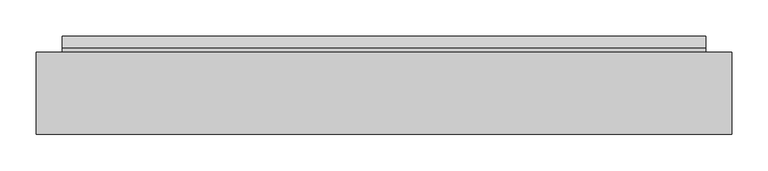
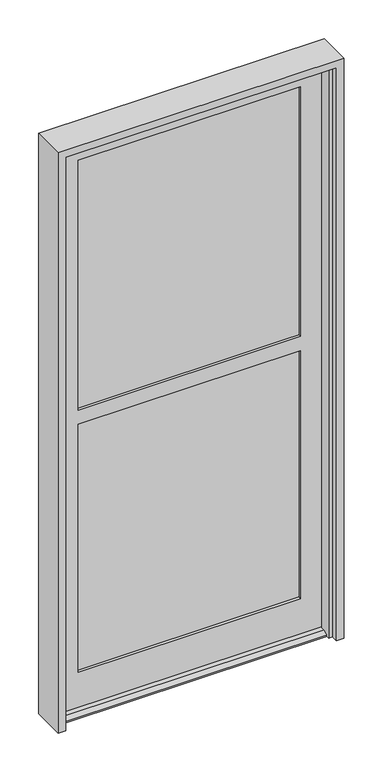
"""IFC4 building model written with IfcOpenShell, lengths in millimetres: plate geometry."""

from ifc_helpers import new_model, si_unit, frame, origin, place, context, project, spatial, polyline, outline, extrude, faceted_brep, source, transform, mapped, element, save


def plate_490acdba(model_context):
    return source(origin(), model_context, "Body", "SolidModel", [
        faceted_brep([(-448.9132958, -20.6375, 0.0), (-448.9132958, -20.6375, 2040.73125), (448.9132958, -20.6375, 2040.73125), (448.9132958, -20.6375, 0.0), (446.1446958, -20.6375, 0.0), (446.1446958, -20.6375, 12.7), (-446.1446958, -20.6375, 12.7), (-446.1446958, -20.6375, 0.0), (-375.8882958, -20.6375, 138.1125), (375.8882958, -20.6375, 138.1125), (375.8882958, -20.6375, 1022.35), (-375.8882958, -20.6375, 1022.35), (-375.8882958, -20.6375, 1073.15), (375.8882958, -20.6375, 1073.15), (375.8882958, -20.6375, 1964.53125), (-375.8882958, -20.6375, 1964.53125), (-375.8882958, -30.1625, 1964.53125), (375.8882958, -30.1625, 1964.53125), (-383.0320458, -30.1625, 1971.675), (-383.0320458, -30.1625, 1066.00625), (383.0320458, -30.1625, 1066.00625), (383.0320458, -30.1625, 1971.675), (-375.8882958, -30.1625, 1073.15), (375.8882958, -30.1625, 1073.15), (-383.0320458, -30.1625, 1029.49375), (-383.0320458, -30.1625, 130.96875), (383.0320458, -30.1625, 130.96875), (383.0320458, -30.1625, 1029.49375), (-375.8882958, -30.1625, 138.1125), (-375.8882958, -30.1625, 1022.35), (375.8882958, -30.1625, 1022.35), (375.8882958, -30.1625, 138.1125), (383.0320458, -55.5625, 1971.675), (-383.0320458, -55.5625, 1971.675), (-383.0320458, -55.5625, 1066.00625), (383.0320458, -55.5625, 1066.00625), (-375.8882958, -55.5625, 1964.53125), (-375.8882958, -55.5625, 1073.15), (375.8882958, -55.5625, 1073.15), (375.8882958, -55.5625, 1964.53125), (-383.0320458, -55.5625, 130.96875), (-383.0320458, -55.5625, 1029.49375), (383.0320458, -55.5625, 1029.49375), (383.0320458, -55.5625, 130.96875), (-375.8882958, -55.5625, 1022.35), (-375.8882958, -55.5625, 138.1125), (375.8882958, -55.5625, 138.1125), (375.8882958, -55.5625, 1022.35), (-375.8882958, -65.0875, 1964.53125), (375.8882958, -65.0875, 1964.53125), (-446.1446958, -65.0875, 2040.73125), (-446.1446958, -65.0875, 12.7), (446.1446958, -65.0875, 12.7), (446.1446958, -65.0875, 2040.73125), (-375.8882958, -65.0875, 1022.35), (375.8882958, -65.0875, 1022.35), (375.8882958, -65.0875, 138.1125), (-375.8882958, -65.0875, 138.1125), (-375.8882958, -65.0875, 1073.15), (375.8882958, -65.0875, 1073.15), (446.1446958, -81.7372454, 12.7), (446.1446958, -98.4250908, 4.9183299), (446.1446958, -98.4250908, 0.0), (446.1446958, -65.0875, 0.0), (446.1446958, 3.175, 0.0), (446.1446958, 3.175, 4.9183299), (446.1446958, -13.5128454, 12.7), (-446.1446958, -13.5128454, 12.7), (-446.1446958, 3.175, 4.9183299), (-446.1446958, 3.175, 0.0), (-446.1446958, -98.4250908, 0.0), (-446.1446958, -98.4250908, 4.9183299), (-446.1446958, -81.7372454, 12.7), (-446.1446958, -65.0875, 0.0)], [[[0, 1, 2, 3, 4, 5, 6, 7], [8, 9, 10, 11], [12, 13, 14, 15]], [[16, 15, 14, 17]], [[18, 19, 20, 21], [22, 16, 17, 23]], [[24, 25, 26, 27], [28, 29, 30, 31]], [[32, 33, 18, 21]], [[34, 33, 32, 35], [36, 37, 38, 39]], [[40, 41, 42, 43], [44, 45, 46, 47]], [[48, 36, 39, 49]], [[50, 51, 52, 53], [54, 55, 56, 57], [58, 48, 49, 59]], [[2, 1, 50, 53]], [[52, 60, 61, 62, 63]], [[64, 65, 66, 5, 4]], [[6, 67, 68, 69, 7]], [[70, 71, 72, 51, 73]], [[8, 28, 31, 9]], [[26, 25, 40, 43]], [[45, 57, 56, 46]], [[60, 52, 51, 72]], [[62, 70, 73, 0, 7, 69, 64, 4, 3, 63]], [[6, 5, 66, 67]], [[12, 22, 23, 13]], [[20, 19, 34, 35]], [[37, 58, 59, 38]], [[54, 44, 47, 55]], [[42, 41, 24, 27]], [[29, 11, 10, 30]], [[61, 60, 72, 71]], [[62, 61, 71, 70]], [[65, 64, 69, 68]], [[66, 65, 68, 67]], [[37, 36, 48, 58]], [[54, 57, 45, 44]], [[18, 33, 34, 19]], [[40, 25, 24, 41]], [[8, 11, 29, 28]], [[12, 15, 16, 22]], [[50, 1, 0, 73, 51]], [[2, 53, 52, 63, 3]], [[23, 17, 14, 13]], [[10, 9, 31, 30]], [[21, 20, 35, 32]], [[43, 42, 27, 26]], [[59, 49, 39, 38]], [[47, 46, 56, 55]]]),
        extrude(outline(polyline([(383.0320458, -30.1280944), (383.0320458, -36.4780944), (-383.0320458, -36.4780944), (-383.0320458, -30.1280944), (383.0320458, -30.1280944)])), frame((0.0, 0.0, 130.96875), z_axis=(0.0, 0.0, 1.0), x_axis=(1.0, 0.0, 0.0)), (0.0, 0.0, 1.0), 898.525),
        extrude(outline(polyline([(383.0320458, -49.1780944), (383.0320458, -55.5280944), (-383.0320458, -55.5280944), (-383.0320458, -49.1780944), (383.0320458, -49.1780944)])), frame((0.0, 0.0, 130.96875), z_axis=(0.0, 0.0, 1.0), x_axis=(1.0, 0.0, 0.0)), (0.0, 0.0, 1.0), 898.525),
        extrude(outline(polyline([(383.0320458, -30.1280944), (383.0320458, -36.4780944), (-383.0320458, -36.4780944), (-383.0320458, -30.1280944), (383.0320458, -30.1280944)])), frame((0.0, 0.0, 1066.00625), z_axis=(0.0, 0.0, 1.0), x_axis=(1.0, 0.0, 0.0)), (0.0, 0.0, 1.0), 905.66875),
        extrude(outline(polyline([(383.0320458, -49.1780944), (383.0320458, -55.5280944), (-383.0320458, -55.5280944), (-383.0320458, -49.1780944), (383.0320458, -49.1780944)])), frame((0.0, 0.0, 1066.00625), z_axis=(0.0, 0.0, 1.0), x_axis=(1.0, 0.0, 0.0)), (0.0, 0.0, 1.0), 905.66875),
        faceted_brep([(-482.6, -133.35, 2070.1), (-482.6, -19.05, 2070.1), (-482.6, -19.05, 0.0), (-482.6, -133.35, 0.0), (482.6, -19.05, 2070.1), (482.6, -133.35, 2070.1), (482.6, -133.35, 0.0), (482.6, -19.05, 0.0), (444.5, -110.363, 0.0), (457.2, -110.363, 0.0), (457.2, -110.363, 2044.7), (-457.2, -110.363, 2044.7), (-457.2, -110.363, 0.0), (-444.5, -110.363, 0.0), (-444.5, -110.363, 2032.0), (444.5, -110.363, 2032.0), (457.2, -133.35, 2044.7), (-457.2, -133.35, 2044.7), (-457.2, -133.35, 0.0), (457.2, -133.35, 0.0), (457.2, -19.05, 0.0), (457.2, -19.05, 2044.7), (-457.2, -19.05, 2044.7), (-457.2, -19.05, 0.0), (457.2, -69.088, 2044.7), (-457.2, -69.088, 2044.7), (457.2, -69.088, 0.0), (444.5, -69.088, 0.0), (444.5, -69.088, 2032.0), (-444.5, -69.088, 2032.0), (-444.5, -69.088, 0.0), (-457.2, -69.088, 0.0)], [[[0, 1, 2, 3]], [[4, 5, 6, 7]], [[8, 9, 10, 11, 12, 13, 14, 15]], [[11, 10, 16, 17]], [[0, 3, 18, 17, 16, 19, 6, 5]], [[4, 1, 0, 5]], [[2, 1, 4, 7, 20, 21, 22, 23]], [[21, 24, 25, 22]], [[26, 27, 28, 29, 30, 31, 25, 24]], [[28, 15, 14, 29]], [[27, 26, 20, 7, 6, 19, 9, 8]], [[20, 26, 24, 21]], [[9, 19, 16, 10]], [[27, 8, 15, 28]], [[30, 13, 12, 18, 3, 2, 23, 31]], [[13, 30, 29, 14]], [[18, 12, 11, 17]], [[25, 31, 23, 22]]]),
    ])


if __name__ == "__main__":
    model = new_model("IFC4")
    model_context = context("Model", 3, world=origin())
    ifc_project = project(units=[si_unit("LENGTHUNIT", "METRE", prefix="MILLI")], contexts=[model_context])
    site = spatial("IfcSite", under=ifc_project)
    building = spatial("IfcBuilding", under=site)
    placement = place(None, origin())
    plate_shape = plate_490acdba(model_context)
    element("IfcPlate", 1, at=placement, inside=building, context=model_context, shape_type="MappedRepresentation", body=[
        mapped(plate_shape, transform((0.0, 0.0, 0.0), x_axis=(1.0, 0.0, 0.0), y_axis=(0.0, 1.0, 0.0), z_axis=(0.0, 0.0, 1.0))),
    ])
    save(model, "model.ifc")
